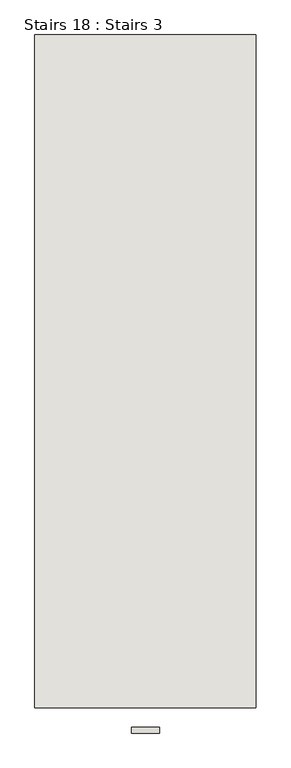
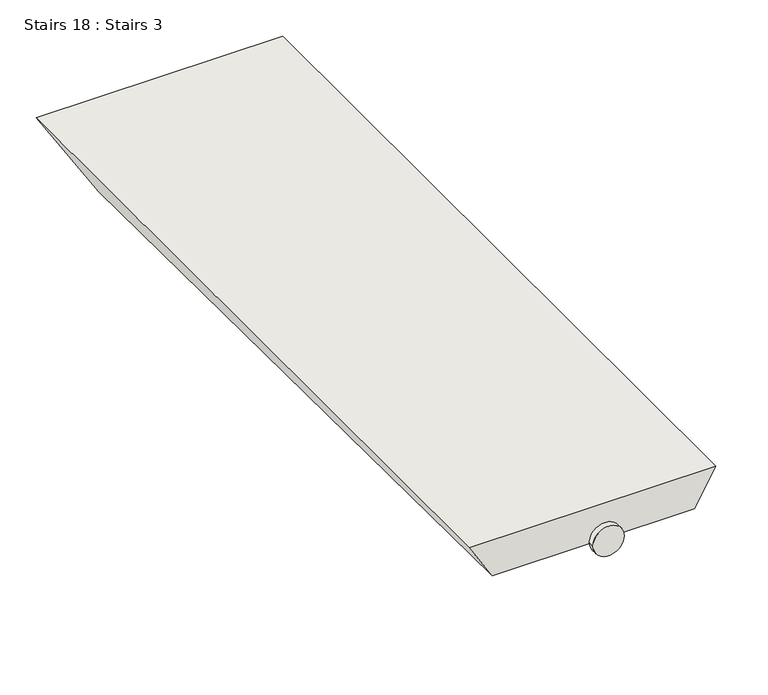
"""IFC4 building model written with IfcOpenShell, lengths in millimetres: wall geometry, Stairs 18 : Stairs 3."""

from ifc_helpers import new_model, si_unit, point, frame, frame_2d, origin, place, context, project, spatial, circle_curve, trimmed, segment, composite_curve, outline, extrude, faceted_brep, source, transform, mapped, element, save


def stairs_18_stairs_3_a997b71e(model_context):
    return source(origin(), model_context, "Body", "SolidModel", [
        extrude(outline(composite_curve([segment(trimmed(circle_curve(frame_2d((68318.7817285, 102791.0593854)), 25.0), [point((68318.7817285, 102816.0593854))], [point((68318.7817285, 102766.0593854))], False, "CARTESIAN"), True, "CONTINUOUS"), segment(trimmed(circle_curve(frame_2d((68318.7817285, 102791.0593854)), 25.0), [point((68318.7817285, 102766.0593854))], [point((68318.7817285, 102816.0593854))], False, "CARTESIAN"), True, "CONTINUOUS")], self_intersect=False)), frame((0.0, -36520.9230841, 0.0), z_axis=(0.0, 1.0, 0.0), x_axis=(0.0, 0.0, 1.0)), (0.0, 0.0, 1.0), 10.0),
        faceted_brep([(102988.4063652, -36475.9230841, 68348.7817285), (102593.7124057, -36475.9230841, 68348.7817285), (102631.2045668, -36475.9230841, 68288.7817285), (102953.765349, -36475.9230841, 68288.7817285), (102593.7124057, -35275.9230841, 68348.7817285), (102988.4063652, -35275.9230841, 68348.7817285), (102896.0303221, -35275.9230841, 68188.7817285), (102693.691502, -35275.9230841, 68188.7817285)], [[[0, 1, 2, 3]], [[4, 5, 6, 7]], [[5, 4, 1, 0]], [[7, 6, 3, 2]], [[2, 1, 4, 7]], [[0, 3, 6, 5]]]),
    ])


if __name__ == "__main__":
    model = new_model("IFC4")
    model_context = context("Model", 3, world=origin())
    ifc_project = project(units=[si_unit("LENGTHUNIT", "METRE", prefix="MILLI")], contexts=[model_context])
    site = spatial("IfcSite", under=ifc_project)
    building = spatial("IfcBuilding", under=site)
    placement = place(None, origin())
    stairs_18_stairs_3_shape = stairs_18_stairs_3_a997b71e(model_context)
    element("IfcWall", 1, ObjectType="Stairs 18 : Stairs 3", at=placement, inside=building, context=model_context, shape_type="MappedRepresentation", body=[
        mapped(stairs_18_stairs_3_shape, transform((0.0, 0.0, 0.0), x_axis=(1.0, 0.0, 0.0), y_axis=(0.0, 1.0, 0.0), z_axis=(0.0, 0.0, 1.0))),
    ])
    save(model, "model.ifc")
